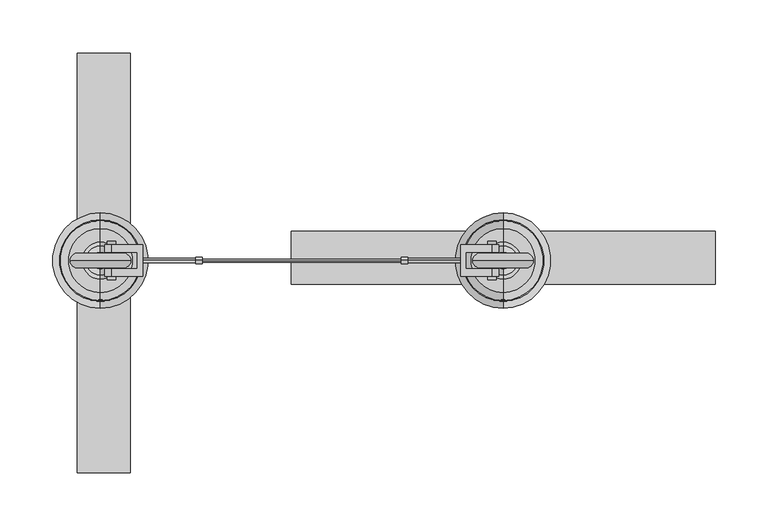
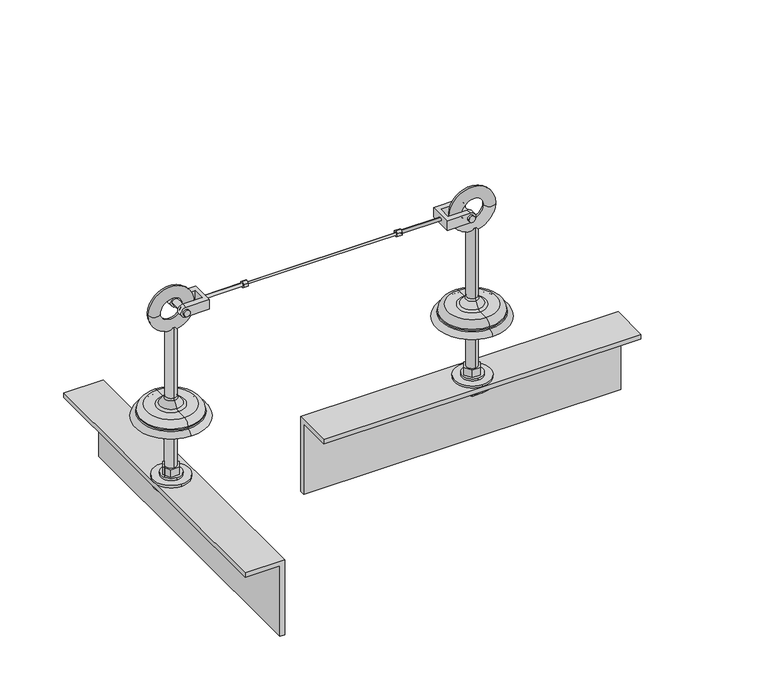
"""IFC4 building model written with IfcOpenShell, lengths in millimetres: proxy geometry."""

from ifc_helpers import new_model, si_unit, point, frame, frame_2d, origin, place, context, project, spatial, polyline, circle_curve, ellipse_curve, trimmed, segment, composite_curve, outline, extrude, source, transform, mapped, element, save
from ifc_brep_helpers import plane_surface, cylinder_surface, revolved_surface, advanced_brep


def specialty_equipment_02600450(model_context):
    return source(origin(), model_context, "Body", "SolidModel", [
        advanced_brep(
        [(3300.0, 45.0, 0.0), (3300.0, 7.0, 0.0), (3300.0, -7.0, 0.0), (3300.0, -45.0, 0.0), (3300.0, 7.0, -100.0), (3300.0, -7.0, -100.0), (3300.0, 0.0, -100.0), (3300.0, 0.0, 121.6303144), (3300.0, 6.9, 121.6303144), (3300.0, -6.9, 121.6303144), (3300.0, 6.9, 28.0512021), (3300.0, -6.9, 28.0512021), (3300.0, 7.995656, 24.9277269), (3300.0, 13.6366177, 17.8765248), (3300.0, -13.6366177, 17.8765248), (3300.0, -7.995656, 24.9277269), (3300.0, 17.5409617, 16.0), (3300.0, 30.1640518, 16.0), (3300.0, -30.1640518, 16.0), (3300.0, -17.5409617, 16.0), (3300.0, 37.6378375, 8.5262143), (3300.0, -37.6378375, 8.5262143), (3300.0, 37.6378375, 6.8656759), (3300.0, -37.6378375, 6.8656759), (3300.0, 38.448306, 5.8712826), (3300.0, -38.448306, 5.8712826)],
        [
            (0, 1),
            (1, 2, circle_curve(frame((3300.0, 0.0, 0.0), z_axis=(0.0, 0.0, 1.0), x_axis=(0.0, -1.0, 0.0)), 7.0)),
            (2, 3),
            (3, 0, circle_curve(frame((3300.0, 0.0, 0.0), z_axis=(0.0, 0.0, -1.0), x_axis=(0.0, -1.0, 0.0)), 45.0)),
            (2, 1, circle_curve(frame((3300.0, 0.0, 0.0), z_axis=(0.0, 0.0, 1.0), x_axis=(0.0, -1.0, 0.0)), 7.0)),
            (0, 3, circle_curve(frame((3300.0, 0.0, 0.0), z_axis=(0.0, 0.0, -1.0), x_axis=(0.0, -1.0, 0.0)), 45.0)),
            (1, 4),
            (4, 5, circle_curve(frame((3300.0, 0.0, -100.0), z_axis=(0.0, 0.0, 1.0), x_axis=(0.0, -1.0, 0.0)), 7.0)),
            (5, 2),
            (5, 4, circle_curve(frame((3300.0, 0.0, -100.0), z_axis=(0.0, 0.0, 1.0), x_axis=(0.0, -1.0, 0.0)), 7.0)),
            (4, 6),
            (6, 5),
            (7, 8),
            (8, 9, circle_curve(frame((3300.0, 0.0, 121.6303144), z_axis=(0.0, 0.0, 1.0), x_axis=(0.0, -1.0, 0.0)), 6.9)),
            (9, 7),
            (9, 8, circle_curve(frame((3300.0, 0.0, 121.6303144), z_axis=(0.0, 0.0, 1.0), x_axis=(0.0, -1.0, 0.0)), 6.9)),
            (8, 10),
            (10, 11, circle_curve(frame((3300.0, 0.0, 28.0512021), z_axis=(0.0, 0.0, 1.0), x_axis=(0.0, -1.0, 0.0)), 6.9)),
            (11, 9),
            (11, 10, circle_curve(frame((3300.0, 0.0, 28.0512021), z_axis=(0.0, 0.0, 1.0), x_axis=(0.0, -1.0, 0.0)), 6.9)),
            (12, 13),
            (13, 14, circle_curve(frame((3300.0, 0.0, 17.8765248), z_axis=(0.0, 0.0, 1.0), x_axis=(0.0, -1.0, 0.0)), 13.6366177)),
            (14, 15),
            (15, 12, circle_curve(frame((3300.0, 0.0, 24.9277269), z_axis=(0.0, 0.0, -1.0), x_axis=(0.0, -1.0, 0.0)), 7.995656)),
            (14, 13, circle_curve(frame((3300.0, 0.0, 17.8765248), z_axis=(0.0, 0.0, 1.0), x_axis=(0.0, -1.0, 0.0)), 13.6366177)),
            (12, 15, circle_curve(frame((3300.0, 0.0, 24.9277269), z_axis=(0.0, 0.0, -1.0), x_axis=(0.0, -1.0, 0.0)), 7.995656)),
            (16, 17),
            (17, 18, circle_curve(frame((3300.0, 0.0, 16.0), z_axis=(0.0, 0.0, 1.0), x_axis=(0.0, -1.0, 0.0)), 30.1640518)),
            (18, 19),
            (19, 16, circle_curve(frame((3300.0, 0.0, 16.0), z_axis=(0.0, 0.0, -1.0), x_axis=(0.0, -1.0, 0.0)), 17.5409617)),
            (18, 17, circle_curve(frame((3300.0, 0.0, 16.0), z_axis=(0.0, 0.0, 1.0), x_axis=(0.0, -1.0, 0.0)), 30.1640518)),
            (16, 19, circle_curve(frame((3300.0, 0.0, 16.0), z_axis=(0.0, 0.0, -1.0), x_axis=(0.0, -1.0, 0.0)), 17.5409617)),
            (17, 20, circle_curve(frame((3300.0, 30.1640518, 8.5262143), z_axis=(-1.0, 0.0, 0.0), x_axis=(0.0, -1.0, 0.0)), 7.4737857)),
            (20, 21, circle_curve(frame((3300.0, 0.0, 8.5262143), z_axis=(0.0, 0.0, 1.0), x_axis=(0.0, -1.0, 0.0)), 37.6378375)),
            (21, 18, circle_curve(frame((3300.0, -30.1640518, 8.5262143), z_axis=(-1.0, 0.0, 0.0), x_axis=(0.0, 1.0, 0.0)), 7.4737857)),
            (21, 20, circle_curve(frame((3300.0, 0.0, 8.5262143), z_axis=(0.0, 0.0, 1.0), x_axis=(0.0, -1.0, 0.0)), 37.6378375)),
            (20, 22),
            (22, 23, circle_curve(frame((3300.0, 0.0, 6.8656759), z_axis=(0.0, 0.0, 1.0), x_axis=(0.0, -1.0, 0.0)), 37.6378375)),
            (23, 21),
            (23, 22, circle_curve(frame((3300.0, 0.0, 6.8656759), z_axis=(0.0, 0.0, 1.0), x_axis=(0.0, -1.0, 0.0)), 37.6378375)),
            (10, 12, circle_curve(frame((3300.0, 11.9, 28.0512021), z_axis=(1.0, 0.0, 0.0), x_axis=(0.0, -1.0, 0.0)), 5.0)),
            (15, 11, circle_curve(frame((3300.0, -11.9, 28.0512021), z_axis=(1.0, 0.0, 0.0), x_axis=(0.0, 1.0, 0.0)), 5.0)),
            (13, 16, circle_curve(frame((3300.0, 17.5409617, 21.0), z_axis=(1.0, 0.0, 0.0), x_axis=(0.0, -1.0, 0.0)), 5.0)),
            (19, 14, circle_curve(frame((3300.0, -17.5409617, 21.0), z_axis=(1.0, 0.0, 0.0), x_axis=(0.0, 1.0, 0.0)), 5.0)),
            (22, 24, circle_curve(frame((3300.0, 38.6531003, 6.8656759), z_axis=(1.0, 0.0, 0.0), x_axis=(0.0, -1.0, 0.0)), 1.0152629)),
            (24, 25, circle_curve(frame((3300.0, 0.0, 5.8712826), z_axis=(0.0, 0.0, 1.0), x_axis=(0.0, -1.0, 0.0)), 38.448306)),
            (25, 23, circle_curve(frame((3300.0, -38.6531003, 6.8656759), z_axis=(1.0, 0.0, 0.0), x_axis=(0.0, 1.0, 0.0)), 1.0152629)),
            (25, 24, circle_curve(frame((3300.0, 0.0, 5.8712826), z_axis=(0.0, 0.0, 1.0), x_axis=(0.0, -1.0, 0.0)), 38.448306)),
            (24, 0, circle_curve(frame((3300.0, 36.6858246, -2.686569), z_axis=(-1.0, 0.0, 0.0), x_axis=(0.0, -1.0, 0.0)), 8.7374576)),
            (3, 25, circle_curve(frame((3300.0, -36.6858246, -2.686569), z_axis=(-1.0, 0.0, 0.0), x_axis=(0.0, 1.0, 0.0)), 8.7374576)),
        ],
        [
            plane_surface(frame((3300.0, 0.0, 0.0), z_axis=(0.0, 0.0, -1.0), x_axis=(0.0, -1.0, 0.0))),
            cylinder_surface(frame((3300.0, 0.0, 93.0), z_axis=(0.0, 0.0, 1.0), x_axis=(0.0, -1.0, 0.0)), 7.0),
            plane_surface(frame((3300.0, 0.0, -100.0), z_axis=(0.0, 0.0, -1.0), x_axis=(0.0, -1.0, 0.0))),
            plane_surface(frame((3300.0, 0.0, 121.6303144), z_axis=(0.0, 0.0, 1.0), x_axis=(0.0, -1.0, 0.0))),
            cylinder_surface(frame((3300.0, 0.0, 93.0), z_axis=(0.0, 0.0, 1.0), x_axis=(0.0, -1.0, 0.0)), 6.9),
            revolved_surface(polyline([(3300.0, -13.6366177, 17.8765248), (3300.0, -7.995656, 24.9277269)]), (3300.0, 0.0, 93.0), (0.0, 0.0, 1.0)),
            plane_surface(frame((3300.0, 0.0, 16.0), z_axis=(0.0, 0.0, 1.0), x_axis=(0.0, -1.0, 0.0))),
            revolved_surface(trimmed(ellipse_curve(frame((3300.0, -30.1640518, 8.5262143), z_axis=(-1.0, 0.0, 0.0), x_axis=(0.0, 1.0, 0.0)), 7.4737857, 7.4737857), [point((3300.0, -37.6378375, 8.5262143))], [point((3300.0, -30.1640518, 16.0))], True, "CARTESIAN"), (3300.0, 0.0, 93.0), (0.0, 0.0, 1.0)),
            cylinder_surface(frame((3300.0, 0.0, 93.0), z_axis=(0.0, 0.0, 1.0), x_axis=(0.0, -1.0, 0.0)), 37.6378375),
            revolved_surface(trimmed(ellipse_curve(frame((3300.0, -11.9, 28.0512021), z_axis=(1.0, 0.0, 0.0), x_axis=(0.0, 1.0, 0.0)), 5.0, 5.0), [point((3300.0, -7.995656, 24.9277269))], [point((3300.0, -6.9, 28.0512021))], True, "CARTESIAN"), (3300.0, 0.0, 93.0), (0.0, 0.0, 1.0)),
            revolved_surface(trimmed(ellipse_curve(frame((3300.0, -17.5409617, 21.0), z_axis=(1.0, 0.0, 0.0), x_axis=(0.0, 1.0, 0.0)), 5.0, 5.0), [point((3300.0, -17.5409617, 16.0))], [point((3300.0, -13.6366177, 17.8765248))], True, "CARTESIAN"), (3300.0, 0.0, 93.0), (0.0, 0.0, 1.0)),
            revolved_surface(trimmed(ellipse_curve(frame((3300.0, -38.6531003, 6.8656759), z_axis=(1.0, 0.0, 0.0), x_axis=(0.0, 1.0, 0.0)), 1.0152629, 1.0152629), [point((3300.0, -38.448306, 5.8712826))], [point((3300.0, -37.6378375, 6.8656759))], True, "CARTESIAN"), (3300.0, 0.0, 93.0), (0.0, 0.0, 1.0)),
            revolved_surface(trimmed(ellipse_curve(frame((3300.0, -36.6858246, -2.686569), z_axis=(-1.0, 0.0, 0.0), x_axis=(0.0, 1.0, 0.0)), 8.7374576, 8.7374576), [point((3300.0, -45.0, 0.0))], [point((3300.0, -38.448306, 5.8712826))], True, "CARTESIAN"), (3300.0, 0.0, 93.0), (0.0, 0.0, 1.0)),
        ],
        [
            (0, [[1, 2, 3, 4]]),
            (0, [[-3, 5, -1, 6]]),
            (1, [[7, 8, 9, -2]]),
            (1, [[-9, 10, -7, -5]]),
            (2, [[11, 12, -8]]),
            (2, [[-12, -11, -10]]),
            (3, [[13, 14, 15]]),
            (3, [[-15, 16, -13]]),
            (4, [[17, 18, 19, -14]]),
            (4, [[-19, 20, -17, -16]]),
            (5, [[21, 22, 23, 24]]),
            (5, [[-23, 25, -21, 26]]),
            (6, [[27, 28, 29, 30]]),
            (6, [[-29, 31, -27, 32]]),
            (7, [[33, 34, 35, -28]]),
            (7, [[-35, 36, -33, -31]]),
            (8, [[37, 38, 39, -34]]),
            (8, [[-39, 40, -37, -36]]),
            (9, [[41, -24, 42, -18]]),
            (9, [[-42, -26, -41, -20]]),
            (10, [[43, -30, 44, -22]]),
            (10, [[-44, -32, -43, -25]]),
            (11, [[45, 46, 47, -38]]),
            (11, [[-47, 48, -45, -40]]),
            (12, [[49, -4, 50, -46]]),
            (12, [[-50, -6, -49, -48]]),
        ],
    ),
        advanced_brep(
        [(2920.0243251, 7.0, 0.0), (2920.0243251, 45.0, 0.0), (2920.0243251, -45.0, 0.0), (2920.0243251, -7.0, 0.0), (2920.0243251, 7.0, -100.0), (2920.0243251, -7.0, -100.0), (2920.0243251, 0.0, -100.0), (2920.0243251, 6.9, 121.6303144), (2920.0243251, 0.0, 121.6303144), (2920.0243251, -6.9, 121.6303144), (2920.0243251, 6.9, 28.0512021), (2920.0243251, -6.9, 28.0512021), (2920.0243251, 13.6366177, 17.8765248), (2920.0243251, 7.995656, 24.9277269), (2920.0243251, -7.995656, 24.9277269), (2920.0243251, -13.6366177, 17.8765248), (2920.0243251, 30.1640518, 16.0), (2920.0243251, 17.5409617, 16.0), (2920.0243251, -17.5409617, 16.0), (2920.0243251, -30.1640518, 16.0), (2920.0243251, 37.6378375, 8.5262143), (2920.0243251, -37.6378375, 8.5262143), (2920.0243251, 37.6378375, 6.8656759), (2920.0243251, -37.6378375, 6.8656759), (2920.0243251, 38.448306, 5.8712826), (2920.0243251, -38.448306, 5.8712826)],
        [
            (0, 1),
            (1, 2, circle_curve(frame((2920.0243251, 0.0, 0.0), z_axis=(0.0, 0.0, -1.0), x_axis=(0.0, -1.0, 0.0)), 45.0)),
            (2, 3),
            (3, 0, circle_curve(frame((2920.0243251, 0.0, 0.0), z_axis=(0.0, 0.0, 1.0), x_axis=(0.0, -1.0, 0.0)), 7.0)),
            (2, 1, circle_curve(frame((2920.0243251, 0.0, 0.0), z_axis=(0.0, 0.0, -1.0), x_axis=(0.0, -1.0, 0.0)), 45.0)),
            (0, 3, circle_curve(frame((2920.0243251, 0.0, 0.0), z_axis=(0.0, 0.0, 1.0), x_axis=(0.0, -1.0, 0.0)), 7.0)),
            (4, 0),
            (3, 5),
            (5, 4, circle_curve(frame((2920.0243251, 0.0, -100.0), z_axis=(0.0, 0.0, 1.0), x_axis=(0.0, -1.0, 0.0)), 7.0)),
            (4, 5, circle_curve(frame((2920.0243251, 0.0, -100.0), z_axis=(0.0, 0.0, 1.0), x_axis=(0.0, -1.0, 0.0)), 7.0)),
            (6, 4),
            (5, 6),
            (7, 8),
            (8, 9),
            (9, 7, circle_curve(frame((2920.0243251, 0.0, 121.6303144), z_axis=(0.0, 0.0, 1.0), x_axis=(0.0, -1.0, 0.0)), 6.9)),
            (7, 9, circle_curve(frame((2920.0243251, 0.0, 121.6303144), z_axis=(0.0, 0.0, 1.0), x_axis=(0.0, -1.0, 0.0)), 6.9)),
            (10, 7),
            (9, 11),
            (11, 10, circle_curve(frame((2920.0243251, 0.0, 28.0512021), z_axis=(0.0, 0.0, 1.0), x_axis=(0.0, -1.0, 0.0)), 6.9)),
            (10, 11, circle_curve(frame((2920.0243251, 0.0, 28.0512021), z_axis=(0.0, 0.0, 1.0), x_axis=(0.0, -1.0, 0.0)), 6.9)),
            (12, 13),
            (13, 14, circle_curve(frame((2920.0243251, 0.0, 24.9277269), z_axis=(0.0, 0.0, -1.0), x_axis=(0.0, -1.0, 0.0)), 7.995656)),
            (14, 15),
            (15, 12, circle_curve(frame((2920.0243251, 0.0, 17.8765248), z_axis=(0.0, 0.0, 1.0), x_axis=(0.0, -1.0, 0.0)), 13.6366177)),
            (14, 13, circle_curve(frame((2920.0243251, 0.0, 24.9277269), z_axis=(0.0, 0.0, -1.0), x_axis=(0.0, -1.0, 0.0)), 7.995656)),
            (12, 15, circle_curve(frame((2920.0243251, 0.0, 17.8765248), z_axis=(0.0, 0.0, 1.0), x_axis=(0.0, -1.0, 0.0)), 13.6366177)),
            (16, 17),
            (17, 18, circle_curve(frame((2920.0243251, 0.0, 16.0), z_axis=(0.0, 0.0, -1.0), x_axis=(0.0, -1.0, 0.0)), 17.5409617)),
            (18, 19),
            (19, 16, circle_curve(frame((2920.0243251, 0.0, 16.0), z_axis=(0.0, 0.0, 1.0), x_axis=(0.0, -1.0, 0.0)), 30.1640518)),
            (18, 17, circle_curve(frame((2920.0243251, 0.0, 16.0), z_axis=(0.0, 0.0, -1.0), x_axis=(0.0, -1.0, 0.0)), 17.5409617)),
            (16, 19, circle_curve(frame((2920.0243251, 0.0, 16.0), z_axis=(0.0, 0.0, 1.0), x_axis=(0.0, -1.0, 0.0)), 30.1640518)),
            (20, 16, circle_curve(frame((2920.0243251, 30.1640518, 8.5262143), z_axis=(1.0, 0.0, 0.0), x_axis=(0.0, -1.0, 0.0)), 7.4737857)),
            (19, 21, circle_curve(frame((2920.0243251, -30.1640518, 8.5262143), z_axis=(1.0, 0.0, 0.0), x_axis=(0.0, 1.0, 0.0)), 7.4737857)),
            (21, 20, circle_curve(frame((2920.0243251, 0.0, 8.5262143), z_axis=(0.0, 0.0, 1.0), x_axis=(0.0, -1.0, 0.0)), 37.6378375)),
            (20, 21, circle_curve(frame((2920.0243251, 0.0, 8.5262143), z_axis=(0.0, 0.0, 1.0), x_axis=(0.0, -1.0, 0.0)), 37.6378375)),
            (22, 20),
            (21, 23),
            (23, 22, circle_curve(frame((2920.0243251, 0.0, 6.8656759), z_axis=(0.0, 0.0, 1.0), x_axis=(0.0, -1.0, 0.0)), 37.6378375)),
            (22, 23, circle_curve(frame((2920.0243251, 0.0, 6.8656759), z_axis=(0.0, 0.0, 1.0), x_axis=(0.0, -1.0, 0.0)), 37.6378375)),
            (13, 10, circle_curve(frame((2920.0243251, 11.9, 28.0512021), z_axis=(-1.0, 0.0, 0.0), x_axis=(0.0, -1.0, 0.0)), 5.0)),
            (11, 14, circle_curve(frame((2920.0243251, -11.9, 28.0512021), z_axis=(-1.0, 0.0, 0.0), x_axis=(0.0, 1.0, 0.0)), 5.0)),
            (17, 12, circle_curve(frame((2920.0243251, 17.5409617, 21.0), z_axis=(-1.0, 0.0, 0.0), x_axis=(0.0, -1.0, 0.0)), 5.0)),
            (15, 18, circle_curve(frame((2920.0243251, -17.5409617, 21.0), z_axis=(-1.0, 0.0, 0.0), x_axis=(0.0, 1.0, 0.0)), 5.0)),
            (24, 22, circle_curve(frame((2920.0243251, 38.6531003, 6.8656759), z_axis=(-1.0, 0.0, 0.0), x_axis=(0.0, -1.0, 0.0)), 1.0152629)),
            (23, 25, circle_curve(frame((2920.0243251, -38.6531003, 6.8656759), z_axis=(-1.0, 0.0, 0.0), x_axis=(0.0, 1.0, 0.0)), 1.0152629)),
            (25, 24, circle_curve(frame((2920.0243251, 0.0, 5.8712826), z_axis=(0.0, 0.0, 1.0), x_axis=(0.0, -1.0, 0.0)), 38.448306)),
            (24, 25, circle_curve(frame((2920.0243251, 0.0, 5.8712826), z_axis=(0.0, 0.0, 1.0), x_axis=(0.0, -1.0, 0.0)), 38.448306)),
            (1, 24, circle_curve(frame((2920.0243251, 36.6858246, -2.686569), z_axis=(1.0, 0.0, 0.0), x_axis=(0.0, -1.0, 0.0)), 8.7374576)),
            (25, 2, circle_curve(frame((2920.0243251, -36.6858246, -2.686569), z_axis=(1.0, 0.0, 0.0), x_axis=(0.0, 1.0, 0.0)), 8.7374576)),
        ],
        [
            plane_surface(frame((2920.0243251, 0.0, 0.0), z_axis=(0.0, 0.0, -1.0), x_axis=(0.0, -1.0, 0.0))),
            cylinder_surface(frame((2920.0243251, 0.0, 93.0), z_axis=(0.0, 0.0, -1.0), x_axis=(0.0, -1.0, 0.0)), 7.0),
            plane_surface(frame((2920.0243251, 0.0, -100.0), z_axis=(0.0, 0.0, -1.0), x_axis=(0.0, -1.0, 0.0))),
            plane_surface(frame((2920.0243251, 0.0, 121.6303144), z_axis=(0.0, 0.0, 1.0), x_axis=(0.0, -1.0, 0.0))),
            cylinder_surface(frame((2920.0243251, 0.0, 93.0), z_axis=(0.0, 0.0, -1.0), x_axis=(0.0, -1.0, 0.0)), 6.9),
            revolved_surface(polyline([(2920.0243251, -7.995656, 24.9277269), (2920.0243251, -13.6366177, 17.8765248)]), (2920.0243251, 0.0, 93.0), (0.0, 0.0, -1.0)),
            plane_surface(frame((2920.0243251, 0.0, 16.0), z_axis=(0.0, 0.0, 1.0), x_axis=(0.0, -1.0, 0.0))),
            revolved_surface(trimmed(ellipse_curve(frame((2920.0243251, -30.1640518, 8.5262143), z_axis=(1.0, 0.0, 0.0), x_axis=(0.0, 1.0, 0.0)), 7.4737857, 7.4737857), [point((2920.0243251, -30.1640518, 16.0))], [point((2920.0243251, -37.6378375, 8.5262143))], True, "CARTESIAN"), (2920.0243251, 0.0, 93.0), (0.0, 0.0, -1.0)),
            cylinder_surface(frame((2920.0243251, 0.0, 93.0), z_axis=(0.0, 0.0, -1.0), x_axis=(0.0, -1.0, 0.0)), 37.6378375),
            revolved_surface(trimmed(ellipse_curve(frame((2920.0243251, -11.9, 28.0512021), z_axis=(-1.0, 0.0, 0.0), x_axis=(0.0, 1.0, 0.0)), 5.0, 5.0), [point((2920.0243251, -6.9, 28.0512021))], [point((2920.0243251, -7.995656, 24.9277269))], True, "CARTESIAN"), (2920.0243251, 0.0, 93.0), (0.0, 0.0, -1.0)),
            revolved_surface(trimmed(ellipse_curve(frame((2920.0243251, -17.5409617, 21.0), z_axis=(-1.0, 0.0, 0.0), x_axis=(0.0, 1.0, 0.0)), 5.0, 5.0), [point((2920.0243251, -13.6366177, 17.8765248))], [point((2920.0243251, -17.5409617, 16.0))], True, "CARTESIAN"), (2920.0243251, 0.0, 93.0), (0.0, 0.0, -1.0)),
            revolved_surface(trimmed(ellipse_curve(frame((2920.0243251, -38.6531003, 6.8656759), z_axis=(-1.0, 0.0, 0.0), x_axis=(0.0, 1.0, 0.0)), 1.0152629, 1.0152629), [point((2920.0243251, -37.6378375, 6.8656759))], [point((2920.0243251, -38.448306, 5.8712826))], True, "CARTESIAN"), (2920.0243251, 0.0, 93.0), (0.0, 0.0, -1.0)),
            revolved_surface(trimmed(ellipse_curve(frame((2920.0243251, -36.6858246, -2.686569), z_axis=(1.0, 0.0, 0.0), x_axis=(0.0, 1.0, 0.0)), 8.7374576, 8.7374576), [point((2920.0243251, -38.448306, 5.8712826))], [point((2920.0243251, -45.0, 0.0))], True, "CARTESIAN"), (2920.0243251, 0.0, 93.0), (0.0, 0.0, -1.0)),
        ],
        [
            (0, [[1, 2, 3, 4]]),
            (0, [[-3, 5, -1, 6]]),
            (1, [[7, -4, 8, 9]]),
            (1, [[-8, -6, -7, 10]]),
            (2, [[11, -9, 12]]),
            (2, [[-12, -10, -11]]),
            (3, [[13, 14, 15]]),
            (3, [[-14, -13, 16]]),
            (4, [[17, -15, 18, 19]]),
            (4, [[-18, -16, -17, 20]]),
            (5, [[21, 22, 23, 24]]),
            (5, [[-23, 25, -21, 26]]),
            (6, [[27, 28, 29, 30]]),
            (6, [[-29, 31, -27, 32]]),
            (7, [[33, -30, 34, 35]]),
            (7, [[-34, -32, -33, 36]]),
            (8, [[37, -35, 38, 39]]),
            (8, [[-38, -36, -37, 40]]),
            (9, [[41, -19, 42, -22]]),
            (9, [[-42, -20, -41, -25]]),
            (10, [[43, -24, 44, -28]]),
            (10, [[-44, -26, -43, -31]]),
            (11, [[45, -39, 46, 47]]),
            (11, [[-46, -40, -45, 48]]),
            (12, [[49, -47, 50, -2]]),
            (12, [[-50, -48, -49, -5]]),
        ],
    ),
        extrude(outline(polyline([(0.0378375, 147.2159586), (3.255952, 145.3579793), (3.255952, 141.6420207), (0.0378375, 139.7840414), (-3.1802771, 141.6420207), (-3.1802771, 145.3579793), (0.0378375, 147.2159586)])), frame((3204.0, 0.0, 0.0), z_axis=(1.0, 0.0, 0.0), x_axis=(0.0, 1.0, 0.0)), (0.0, 0.0, 1.0), 6.0),
        extrude(outline(polyline([(0.0378375, 147.2159586), (3.255952, 145.3579793), (3.255952, 141.6420207), (0.0378375, 139.7840414), (-3.1802771, 141.6420207), (-3.1802771, 145.3579793), (0.0378375, 147.2159586)])), frame((3010.0243251, 0.0, 0.0), z_axis=(1.0, 0.0, 0.0), x_axis=(0.0, 1.0, 0.0)), (0.0, 0.0, 1.0), 6.0),
        extrude(outline(composite_curve([segment(trimmed(circle_curve(frame_2d((0.0378375, 143.5)), 2.0), [point((0.0378375, 145.5))], [point((0.0378375, 141.5))], False, "CARTESIAN"), True, "CONTINUOUS"), segment(trimmed(circle_curve(frame_2d((0.0378375, 143.5)), 2.0), [point((0.0378375, 141.5))], [point((0.0378375, 145.5))], False, "CARTESIAN"), True, "CONTINUOUS")], self_intersect=False)), frame((2960.0243251, 0.0, 0.0), z_axis=(1.0, 0.0, 0.0), x_axis=(0.0, 1.0, 0.0)), (0.0, 0.0, 1.0), 50.0),
        advanced_brep(
        [(3204.0121625, 0.0, 144.9991883), (3204.0121625, 0.0, 143.5), (3204.0121625, 0.0, 142.0008117), (3016.0121625, 0.0, 144.4598668), (3016.0121625, 0.0, 142.5401332), (3016.0121625, 0.0, 143.5)],
        [
            (0, 1),
            (1, 2),
            (2, 0, circle_curve(frame((3204.0121625, 0.0, 143.5), z_axis=(1.0, 0.0, 0.0), x_axis=(0.0, 0.0, -1.0)), 1.4991883)),
            (0, 2, circle_curve(frame((3204.0121625, 0.0, 143.5), z_axis=(1.0, 0.0, 0.0), x_axis=(0.0, 0.0, -1.0)), 1.4991883)),
            (3, 0, circle_curve(frame((3114.6843147, 0.0, -1483.9180993), z_axis=(0.0, 1.0, 0.0), x_axis=(-1.0, 0.0, 0.0)), 1631.3647643)),
            (2, 4, circle_curve(frame((3114.6843147, 0.0, 1770.9180993), z_axis=(0.0, 1.0, 0.0), x_axis=(-1.0, 0.0, 0.0)), 1631.3647643)),
            (4, 3, circle_curve(frame((3016.0121625, 0.0, 143.5), z_axis=(1.0, 0.0, 0.0), x_axis=(0.0, 0.0, -1.0)), 0.9598668)),
            (3, 4, circle_curve(frame((3016.0121625, 0.0, 143.5), z_axis=(1.0, 0.0, 0.0), x_axis=(0.0, 0.0, -1.0)), 0.9598668)),
            (5, 3),
            (4, 5),
        ],
        [
            plane_surface(frame((3204.0121625, 0.0, 143.5), z_axis=(1.0, 0.0, 0.0), x_axis=(0.0, 0.0, -1.0))),
            revolved_surface(trimmed(ellipse_curve(frame((3114.6843147, 0.0, 1770.9180993), z_axis=(0.0, 1.0, 0.0), x_axis=(-1.0, 0.0, 0.0)), 1631.3647643, 1631.3647643), [point((3204.0121625, 0.0, 142.0008117))], [point((3016.0121625, 0.0, 142.5401332))], True, "CARTESIAN"), (3140.0121625, 0.0, 143.5), (-1.0, 0.0, 0.0)),
            plane_surface(frame((3016.0121625, 0.0, 143.5), z_axis=(-1.0, 0.0, 0.0), x_axis=(0.0, 0.0, -1.0))),
        ],
        [
            (0, [[1, 2, 3]]),
            (0, [[-2, -1, 4]]),
            (1, [[5, -3, 6, 7]]),
            (1, [[-6, -4, -5, 8]]),
            (2, [[9, -7, 10]]),
            (2, [[-10, -8, -9]]),
        ],
    ),
        extrude(outline(composite_curve([segment(trimmed(circle_curve(frame_2d((0.0378375, 143.5)), 2.0), [point((0.0378375, 145.5))], [point((0.0378375, 141.5))], False, "CARTESIAN"), True, "CONTINUOUS"), segment(trimmed(circle_curve(frame_2d((0.0378375, 143.5)), 2.0), [point((0.0378375, 141.5))], [point((0.0378375, 145.5))], False, "CARTESIAN"), True, "CONTINUOUS")], self_intersect=False)), frame((3210.0, 0.0, 0.0), z_axis=(1.0, 0.0, 0.0), x_axis=(0.0, 1.0, 0.0)), (0.0, 0.0, 1.0), 50.0),
        extrude(outline(composite_curve([segment(trimmed(circle_curve(frame_2d((143.5, 2930.3432172)), 4.0), [point((143.5, 2926.3432172))], [point((143.5, 2934.3432172))], False, "CARTESIAN"), True, "CONTINUOUS"), segment(trimmed(circle_curve(frame_2d((143.5, 2930.3432172)), 4.0), [point((143.5, 2934.3432172))], [point((143.5, 2926.3432172))], False, "CARTESIAN"), True, "CONTINUOUS")], self_intersect=False)), frame((0.0, -7.7810663, 0.0), z_axis=(0.0, 1.0, 0.0), x_axis=(0.0, 0.0, 1.0)), (0.0, 0.0, 1.0), 15.6923596),
        advanced_brep(
        [(2960.0243251, -15.0, 137.1597348), (2960.0243251, -15.0, 149.8402652), (2930.3675423, -15.0, 149.8402652), (2930.3675423, -15.0, 137.1597348), (2960.0243251, 15.0, 137.1597348), (2930.3675423, 15.0, 137.1597348), (2930.3675423, 15.0, 149.8402652), (2960.0243251, 15.0, 149.8402652), (2930.3675423, 7.9112933, 137.1597348), (2930.3675423, 7.9112933, 149.8402652), (2930.3675423, -7.7810663, 149.8402652), (2930.3675423, -7.7810663, 137.1597348), (2955.0243251, 7.9112933, 149.8402652), (2955.0243251, -7.7810663, 149.8402652), (2955.0243251, -7.7810663, 137.1597348), (2955.0243251, 7.9112933, 137.1597348)],
        [
            (0, 1),
            (1, 2),
            (2, 3, circle_curve(frame((2930.3675423, -15.0, 143.5), z_axis=(0.0, -1.0, 0.0), x_axis=(1.0, 0.0, 0.0)), 6.3402652)),
            (3, 0),
            (4, 5),
            (5, 6, circle_curve(frame((2930.3675423, 15.0, 143.5), z_axis=(0.0, 1.0, 0.0), x_axis=(1.0, 0.0, 0.0)), 6.3402652)),
            (6, 7),
            (7, 4),
            (0, 4),
            (7, 1),
            (5, 8),
            (8, 9, circle_curve(frame((2930.3675423, 7.9112933, 143.5), z_axis=(0.0, 1.0, 0.0), x_axis=(1.0, 0.0, 0.0)), 6.3402652)),
            (9, 6),
            (2, 10),
            (10, 11, circle_curve(frame((2930.3675423, -7.7810663, 143.5), z_axis=(0.0, -1.0, 0.0), x_axis=(1.0, 0.0, 0.0)), 6.3402652)),
            (11, 3),
            (9, 12),
            (12, 13),
            (13, 10),
            (11, 14),
            (14, 15),
            (15, 8),
            (14, 13),
            (12, 15),
        ],
        [
            plane_surface(frame((2930.3675423, -15.0, 137.1597348), z_axis=(0.0, -1.0, 0.0), x_axis=(-1.0, 0.0, 0.0))),
            plane_surface(frame((2930.3675423, 15.0, 137.1597348), z_axis=(0.0, 1.0, 0.0), x_axis=(1.0, 0.0, 0.0))),
            plane_surface(frame((2960.0243251, -15.0, 149.8402652), z_axis=(1.0, 0.0, 0.0), x_axis=(0.0, 1.0, 0.0))),
            cylinder_surface(frame((2930.3675423, 15.0, 143.5), z_axis=(0.0, -1.0, 0.0), x_axis=(1.0, 0.0, 0.0)), 6.3402652),
            plane_surface(frame((2930.3675423, -15.0, 149.8402652), z_axis=(0.0, 0.0, 1.0), x_axis=(0.0, 1.0, 0.0))),
            plane_surface(frame((2960.0243251, -15.0, 137.1597348), z_axis=(0.0, 0.0, -1.0), x_axis=(0.0, 1.0, 0.0))),
            plane_surface(frame((2955.0243251, -7.7810663, 137.1597348), z_axis=(-1.0, 0.0, 0.0), x_axis=(0.0, 0.0, 1.0))),
            plane_surface(frame((2920.0243251, -7.7810663, 137.1597348), z_axis=(0.0, 1.0, 0.0), x_axis=(0.0, 0.0, 1.0))),
            plane_surface(frame((2955.0243251, 7.9112933, 137.1597348), z_axis=(0.0, -1.0, 0.0), x_axis=(0.0, 0.0, 1.0))),
        ],
        [
            (0, [[1, 2, 3, 4]]),
            (1, [[5, 6, 7, 8]]),
            (2, [[9, -8, 10, -1]]),
            (3, [[11, 12, 13, -6]]),
            (3, [[14, 15, 16, -3]]),
            (4, [[-10, -7, -13, 17, 18, 19, -14, -2]]),
            (5, [[-16, 20, 21, 22, -11, -5, -9, -4]]),
            (6, [[-21, 23, -18, 24]]),
            (7, [[-20, -15, -19, -23]]),
            (8, [[-17, -12, -22, -24]]),
        ],
    ),
        extrude(outline(composite_curve([segment(trimmed(circle_curve(frame_2d((143.5, 3289.6567828)), 4.0), [point((143.5, 3293.6567828))], [point((143.5, 3285.6567828))], False, "CARTESIAN"), True, "CONTINUOUS"), segment(trimmed(circle_curve(frame_2d((143.5, 3289.6567828)), 4.0), [point((143.5, 3285.6567828))], [point((143.5, 3293.6567828))], False, "CARTESIAN"), True, "CONTINUOUS")], self_intersect=False)), frame((0.0, -7.7810663, 0.0), z_axis=(0.0, 1.0, 0.0), x_axis=(0.0, 0.0, 1.0)), (0.0, 0.0, 1.0), 15.6923596),
        advanced_brep(
        [(3314.5545757, 0.0, 143.5), (3328.5545757, 0.0, 143.5), (3271.4454243, 0.0, 143.5), (3285.4454243, 0.0, 143.5)],
        [
            (0, 1, circle_curve(frame((3321.5545757, 0.0, 143.5), z_axis=(0.0, 0.0, 1.0), x_axis=(-1.0, 0.0, 0.0)), 7.0)),
            (1, 2, circle_curve(frame((3300.0, 0.0, 143.5), z_axis=(0.0, -1.0, 0.0), x_axis=(-1.0, 0.0, 0.0)), 28.5545757)),
            (2, 3, circle_curve(frame((3278.4454243, 0.0, 143.5), z_axis=(0.0, 0.0, 1.0), x_axis=(1.0, 0.0, 0.0)), 7.0)),
            (3, 0, circle_curve(frame((3300.0, 0.0, 143.5), z_axis=(0.0, 1.0, 0.0), x_axis=(-1.0, 0.0, 0.0)), 14.5545757)),
            (1, 0, circle_curve(frame((3321.5545757, 0.0, 143.5), z_axis=(0.0, 0.0, 1.0), x_axis=(-1.0, 0.0, 0.0)), 7.0)),
            (3, 2, circle_curve(frame((3278.4454243, 0.0, 143.5), z_axis=(0.0, 0.0, 1.0), x_axis=(1.0, 0.0, 0.0)), 7.0)),
            (2, 1, circle_curve(frame((3300.0, 0.0, 143.5), z_axis=(0.0, -1.0, 0.0), x_axis=(1.0, 0.0, 0.0)), 28.5545757)),
            (0, 3, circle_curve(frame((3300.0, 0.0, 143.5), z_axis=(0.0, 1.0, 0.0), x_axis=(1.0, 0.0, 0.0)), 14.5545757)),
        ],
        [
            revolved_surface(trimmed(ellipse_curve(frame((3278.4454243, 0.0, 143.5), z_axis=(0.0, 0.0, 1.0), x_axis=(1.0, 0.0, 0.0)), 7.0, 7.0), [point((3271.4454243, 0.0, 143.5))], [point((3285.4454243, 0.0, 143.5))], True, "CARTESIAN"), (3300.0, 0.0, 143.5), (0.0, -1.0, 0.0)),
            revolved_surface(trimmed(ellipse_curve(frame((3278.4454243, 0.0, 143.5), z_axis=(0.0, 0.0, 1.0), x_axis=(1.0, 0.0, 0.0)), 7.0, 7.0), [point((3285.4454243, 0.0, 143.5))], [point((3271.4454243, 0.0, 143.5))], True, "CARTESIAN"), (3300.0, 0.0, 143.5), (0.0, -1.0, 0.0)),
            revolved_surface(trimmed(ellipse_curve(frame((3321.5545757, 0.0, 143.5), z_axis=(0.0, 0.0, -1.0), x_axis=(-1.0, 0.0, 0.0)), 7.0, 7.0), [point((3328.5545757, 0.0, 143.5))], [point((3314.5545757, 0.0, 143.5))], True, "CARTESIAN"), (3300.0, 0.0, 143.5), (0.0, -1.0, 0.0)),
            revolved_surface(trimmed(ellipse_curve(frame((3321.5545757, 0.0, 143.5), z_axis=(0.0, 0.0, -1.0), x_axis=(-1.0, 0.0, 0.0)), 7.0, 7.0), [point((3314.5545757, 0.0, 143.5))], [point((3328.5545757, 0.0, 143.5))], True, "CARTESIAN"), (3300.0, 0.0, 143.5), (0.0, -1.0, 0.0)),
        ],
        [
            (0, [[1, 2, 3, 4]]),
            (1, [[5, -4, 6, -2]]),
            (2, [[-3, 7, -1, 8]]),
            (3, [[-6, -8, -5, -7]]),
        ],
    ),
        extrude(outline(composite_curve([segment(trimmed(circle_curve(frame_2d((143.5, 2930.3675423)), 4.0), [point((143.5, 2934.3675423))], [point((143.5, 2926.3675423))], False, "CARTESIAN"), True, "CONTINUOUS"), segment(trimmed(circle_curve(frame_2d((143.5, 2930.3675423)), 4.0), [point((143.5, 2926.3675423))], [point((143.5, 2934.3675423))], False, "CARTESIAN"), True, "CONTINUOUS")], self_intersect=False)), frame((0.0, 15.0, 0.0), z_axis=(0.0, 1.0, 0.0), x_axis=(0.0, 0.0, 1.0)), (0.0, 0.0, 1.0), 3.0),
        extrude(outline(composite_curve([segment(trimmed(circle_curve(frame_2d((143.5, 2930.3675423)), 4.0), [point((143.5, 2926.3675423))], [point((143.5, 2934.3675423))], False, "CARTESIAN"), True, "CONTINUOUS"), segment(trimmed(circle_curve(frame_2d((143.5, 2930.3675423)), 4.0), [point((143.5, 2934.3675423))], [point((143.5, 2926.3675423))], False, "CARTESIAN"), True, "CONTINUOUS")], self_intersect=False)), frame((0.0, -18.0, 0.0), z_axis=(0.0, 1.0, 0.0), x_axis=(0.0, 0.0, 1.0)), (0.0, 0.0, 1.0), 3.0),
        extrude(outline(composite_curve([segment(trimmed(circle_curve(frame_2d((143.5, 3289.6567828)), 4.0), [point((143.5, 3285.6567828))], [point((143.5, 3293.6567828))], False, "CARTESIAN"), True, "CONTINUOUS"), segment(trimmed(circle_curve(frame_2d((143.5, 3289.6567828)), 4.0), [point((143.5, 3293.6567828))], [point((143.5, 3285.6567828))], False, "CARTESIAN"), True, "CONTINUOUS")], self_intersect=False)), frame((0.0, 15.0, 0.0), z_axis=(0.0, 1.0, 0.0), x_axis=(0.0, 0.0, 1.0)), (0.0, 0.0, 1.0), 3.0),
        extrude(outline(composite_curve([segment(trimmed(circle_curve(frame_2d((143.5, 3289.6567828)), 4.0), [point((143.5, 3293.6567828))], [point((143.5, 3285.6567828))], False, "CARTESIAN"), True, "CONTINUOUS"), segment(trimmed(circle_curve(frame_2d((143.5, 3289.6567828)), 4.0), [point((143.5, 3285.6567828))], [point((143.5, 3293.6567828))], False, "CARTESIAN"), True, "CONTINUOUS")], self_intersect=False)), frame((0.0, -18.0, 0.0), z_axis=(0.0, 1.0, 0.0), x_axis=(0.0, 0.0, 1.0)), (0.0, 0.0, 1.0), 3.0),
        advanced_brep(
        [(3260.0, -15.0, 137.1597348), (3289.6567828, -15.0, 137.1597348), (3289.6567828, -15.0, 149.8402652), (3260.0, -15.0, 149.8402652), (3260.0, 15.0, 137.1597348), (3260.0, 15.0, 149.8402652), (3289.6567828, 15.0, 149.8402652), (3289.6567828, 15.0, 137.1597348), (3289.6567828, 7.9112933, 149.8402652), (3289.6567828, 7.9112933, 137.1597348), (3289.6567828, -7.7810663, 137.1597348), (3289.6567828, -7.7810663, 149.8402652), (3265.0, -7.7810663, 149.8402652), (3265.0, 7.9112933, 149.8402652), (3265.0, 7.9112933, 137.1597348), (3265.0, -7.7810663, 137.1597348)],
        [
            (0, 1),
            (1, 2, circle_curve(frame((3289.6567828, -15.0, 143.5), z_axis=(0.0, -1.0, 0.0), x_axis=(-1.0, 0.0, 0.0)), 6.3402652)),
            (2, 3),
            (3, 0),
            (4, 5),
            (5, 6),
            (6, 7, circle_curve(frame((3289.6567828, 15.0, 143.5), z_axis=(0.0, 1.0, 0.0), x_axis=(-1.0, 0.0, 0.0)), 6.3402652)),
            (7, 4),
            (3, 5),
            (4, 0),
            (6, 8),
            (8, 9, circle_curve(frame((3289.6567828, 7.9112933, 143.5), z_axis=(0.0, 1.0, 0.0), x_axis=(-1.0, 0.0, 0.0)), 6.3402652)),
            (9, 7),
            (1, 10),
            (10, 11, circle_curve(frame((3289.6567828, -7.7810663, 143.5), z_axis=(0.0, -1.0, 0.0), x_axis=(-1.0, 0.0, 0.0)), 6.3402652)),
            (11, 2),
            (11, 12),
            (12, 13),
            (13, 8),
            (9, 14),
            (14, 15),
            (15, 10),
            (14, 13),
            (12, 15),
        ],
        [
            plane_surface(frame((3260.0, -15.0, 149.8402652), z_axis=(0.0, -1.0, 0.0), x_axis=(0.0, 0.0, 1.0))),
            plane_surface(frame((3260.0, 15.0, 149.8402652), z_axis=(0.0, 1.0, 0.0), x_axis=(0.0, 0.0, -1.0))),
            plane_surface(frame((3260.0, -15.0, 137.1597348), z_axis=(-1.0, 0.0, 0.0), x_axis=(0.0, 1.0, 0.0))),
            cylinder_surface(frame((3289.6567828, 15.0, 143.5), z_axis=(0.0, -1.0, 0.0), x_axis=(-1.0, 0.0, 0.0)), 6.3402652),
            plane_surface(frame((3260.0, -15.0, 149.8402652), z_axis=(0.0, 0.0, 1.0), x_axis=(0.0, 1.0, 0.0))),
            plane_surface(frame((3289.6567828, -15.0, 137.1597348), z_axis=(0.0, 0.0, -1.0), x_axis=(0.0, 1.0, 0.0))),
            plane_surface(frame((3265.0, 7.9112933, 137.1597348), z_axis=(1.0, 0.0, 0.0), x_axis=(0.0, 0.0, 1.0))),
            plane_surface(frame((3265.0, -7.7810663, 137.1597348), z_axis=(0.0, 1.0, 0.0), x_axis=(0.0, 0.0, 1.0))),
            plane_surface(frame((3300.0, 7.9112933, 137.1597348), z_axis=(0.0, -1.0, 0.0), x_axis=(0.0, 0.0, 1.0))),
        ],
        [
            (0, [[1, 2, 3, 4]]),
            (1, [[5, 6, 7, 8]]),
            (2, [[9, -5, 10, -4]]),
            (3, [[11, 12, 13, -7]]),
            (3, [[14, 15, 16, -2]]),
            (4, [[-16, 17, 18, 19, -11, -6, -9, -3]]),
            (5, [[-10, -8, -13, 20, 21, 22, -14, -1]]),
            (6, [[-21, 23, -18, 24]]),
            (7, [[-17, -15, -22, -24]]),
            (8, [[-20, -12, -19, -23]]),
        ],
    ),
        extrude(outline(polyline([(27.5, -81.0), (27.5, -181.0), (21.5, -181.0), (21.5, -87.0), (-22.5, -87.0), (-22.5, -81.0), (27.5, -81.0)])), frame((3100.0243251, 0.0, 0.0), z_axis=(1.0, 0.0, 0.0), x_axis=(0.0, 1.0, 0.0)), (0.0, 0.0, 1.0), 400.0),
        extrude(outline(polyline([(3289.6320202, 0.1378375), (3294.8281726, 9.1378375), (3305.2204775, 9.1378375), (3310.4166299, 0.1378375), (3305.2204775, -8.8621625), (3294.8281726, -8.8621625), (3289.6320202, 0.1378375)]), holes=[composite_curve([segment(trimmed(circle_curve(frame_2d((3300.0243251, 0.1378375)), 7.0), [point((3300.0243251, 7.1378375))], [point((3300.0243251, -6.8621625))], True, "CARTESIAN"), True, "CONTINUOUS"), segment(trimmed(circle_curve(frame_2d((3300.0243251, 0.1378375)), 7.0), [point((3300.0243251, -6.8621625))], [point((3300.0243251, 7.1378375))], True, "CARTESIAN"), True, "CONTINUOUS")], self_intersect=False)]), frame((0.0, 0.0, -75.0), z_axis=(0.0, 0.0, 1.0), x_axis=(1.0, 0.0, 0.0)), (0.0, 0.0, 1.0), 10.0),
        extrude(outline(composite_curve([segment(trimmed(circle_curve(frame_2d((3300.5243251, 0.1378375)), 13.0), [point((3300.5243251, 13.1378375))], [point((3300.5243251, -12.8621625))], False, "CARTESIAN"), True, "CONTINUOUS"), segment(trimmed(circle_curve(frame_2d((3300.5243251, 0.1378375)), 13.0), [point((3300.5243251, -12.8621625))], [point((3300.5243251, 13.1378375))], False, "CARTESIAN"), True, "CONTINUOUS")], self_intersect=False)), frame((0.0, 0.0, -78.0), z_axis=(0.0, 0.0, 1.0), x_axis=(1.0, 0.0, 0.0)), (0.0, 0.0, 1.0), 3.0),
        extrude(outline(composite_curve([segment(trimmed(circle_curve(frame_2d((3300.5243251, 0.1378375)), 22.5), [point((3300.5243251, 22.6378375))], [point((3300.5243251, -22.3621625))], False, "CARTESIAN"), True, "CONTINUOUS"), segment(trimmed(circle_curve(frame_2d((3300.5243251, 0.1378375)), 22.5), [point((3300.5243251, -22.3621625))], [point((3300.5243251, 22.6378375))], False, "CARTESIAN"), True, "CONTINUOUS")], self_intersect=False)), frame((0.0, 0.0, -81.0), z_axis=(0.0, 0.0, 1.0), x_axis=(1.0, 0.0, 0.0)), (0.0, 0.0, 1.0), 3.0),
        extrude(outline(composite_curve([segment(trimmed(circle_curve(frame_2d((3300.5, 0.0)), 21.2), [point((3300.5, -21.2))], [point((3300.5, 21.2))], False, "CARTESIAN"), True, "CONTINUOUS"), segment(trimmed(circle_curve(frame_2d((3300.5, 0.0)), 21.2), [point((3300.5, 21.2))], [point((3300.5, -21.2))], False, "CARTESIAN"), True, "CONTINUOUS")], self_intersect=False)), frame((0.0, 0.0, -90.0), z_axis=(0.0, 0.0, 1.0), x_axis=(1.0, 0.0, 0.0)), (0.0, 0.0, 1.0), 3.0),
        extrude(outline(polyline([(3289.6076952, 0.0), (3294.8038476, 9.0), (3305.1961524, 9.0), (3310.3923048, 0.0), (3305.1961524, -9.0), (3294.8038476, -9.0), (3289.6076952, 0.0)]), holes=[composite_curve([segment(trimmed(circle_curve(frame_2d((3300.0, 0.0)), 7.0), [point((3300.0, -7.0))], [point((3300.0, 7.0))], True, "CARTESIAN"), True, "CONTINUOUS"), segment(trimmed(circle_curve(frame_2d((3300.0, 0.0)), 7.0), [point((3300.0, 7.0))], [point((3300.0, -7.0))], True, "CARTESIAN"), True, "CONTINUOUS")], self_intersect=False)]), frame((0.0, 0.0, -100.0), z_axis=(0.0, 0.0, 1.0), x_axis=(1.0, 0.0, 0.0)), (0.0, 0.0, 1.0), 10.0),
        extrude(outline(polyline([(2909.6320202, 0.1378375), (2914.8281726, 9.1378375), (2925.2204775, 9.1378375), (2930.4166299, 0.1378375), (2925.2204775, -8.8621625), (2914.8281726, -8.8621625), (2909.6320202, 0.1378375)]), holes=[composite_curve([segment(trimmed(circle_curve(frame_2d((2920.0243251, 0.1378375)), 7.0), [point((2920.0243251, 7.1378375))], [point((2920.0243251, -6.8621625))], True, "CARTESIAN"), True, "CONTINUOUS"), segment(trimmed(circle_curve(frame_2d((2920.0243251, 0.1378375)), 7.0), [point((2920.0243251, -6.8621625))], [point((2920.0243251, 7.1378375))], True, "CARTESIAN"), True, "CONTINUOUS")], self_intersect=False)]), frame((0.0, 0.0, -75.0), z_axis=(0.0, 0.0, 1.0), x_axis=(1.0, 0.0, 0.0)), (0.0, 0.0, 1.0), 10.0),
        advanced_brep(
        [(2934.5789008, 0.0, 143.5), (2948.5789008, 0.0, 143.5), (2891.4697494, 0.0, 143.5), (2905.4697494, 0.0, 143.5)],
        [
            (0, 1, circle_curve(frame((2941.5789008, 0.0, 143.5), z_axis=(0.0, 0.0, 1.0), x_axis=(-1.0, 0.0, 0.0)), 7.0)),
            (1, 2, circle_curve(frame((2920.0243251, 0.0, 143.5), z_axis=(0.0, -1.0, 0.0), x_axis=(-1.0, 0.0, 0.0)), 28.5545757)),
            (2, 3, circle_curve(frame((2898.4697494, 0.0, 143.5), z_axis=(0.0, 0.0, 1.0), x_axis=(1.0, 0.0, 0.0)), 7.0)),
            (3, 0, circle_curve(frame((2920.0243251, 0.0, 143.5), z_axis=(0.0, 1.0, 0.0), x_axis=(-1.0, 0.0, 0.0)), 14.5545757)),
            (1, 0, circle_curve(frame((2941.5789008, 0.0, 143.5), z_axis=(0.0, 0.0, 1.0), x_axis=(-1.0, 0.0, 0.0)), 7.0)),
            (3, 2, circle_curve(frame((2898.4697494, 0.0, 143.5), z_axis=(0.0, 0.0, 1.0), x_axis=(1.0, 0.0, 0.0)), 7.0)),
            (2, 1, circle_curve(frame((2920.0243251, 0.0, 143.5), z_axis=(0.0, -1.0, 0.0), x_axis=(1.0, 0.0, 0.0)), 28.5545757)),
            (0, 3, circle_curve(frame((2920.0243251, 0.0, 143.5), z_axis=(0.0, 1.0, 0.0), x_axis=(1.0, 0.0, 0.0)), 14.5545757)),
        ],
        [
            revolved_surface(trimmed(ellipse_curve(frame((2898.4697494, 0.0, 143.5), z_axis=(0.0, 0.0, 1.0), x_axis=(1.0, 0.0, 0.0)), 7.0, 7.0), [point((2891.4697494, 0.0, 143.5))], [point((2905.4697494, 0.0, 143.5))], True, "CARTESIAN"), (2920.0243251, 0.0, 143.5), (0.0, -1.0, 0.0)),
            revolved_surface(trimmed(ellipse_curve(frame((2898.4697494, 0.0, 143.5), z_axis=(0.0, 0.0, 1.0), x_axis=(1.0, 0.0, 0.0)), 7.0, 7.0), [point((2905.4697494, 0.0, 143.5))], [point((2891.4697494, 0.0, 143.5))], True, "CARTESIAN"), (2920.0243251, 0.0, 143.5), (0.0, -1.0, 0.0)),
            revolved_surface(trimmed(ellipse_curve(frame((2941.5789008, 0.0, 143.5), z_axis=(0.0, 0.0, -1.0), x_axis=(-1.0, 0.0, 0.0)), 7.0, 7.0), [point((2948.5789008, 0.0, 143.5))], [point((2934.5789008, 0.0, 143.5))], True, "CARTESIAN"), (2920.0243251, 0.0, 143.5), (0.0, -1.0, 0.0)),
            revolved_surface(trimmed(ellipse_curve(frame((2941.5789008, 0.0, 143.5), z_axis=(0.0, 0.0, -1.0), x_axis=(-1.0, 0.0, 0.0)), 7.0, 7.0), [point((2934.5789008, 0.0, 143.5))], [point((2948.5789008, 0.0, 143.5))], True, "CARTESIAN"), (2920.0243251, 0.0, 143.5), (0.0, -1.0, 0.0)),
        ],
        [
            (0, [[1, 2, 3, 4]]),
            (1, [[5, -4, 6, -2]]),
            (2, [[-3, 7, -1, 8]]),
            (3, [[-6, -8, -5, -7]]),
        ],
    ),
        extrude(outline(composite_curve([segment(trimmed(circle_curve(frame_2d((2920.5243251, 0.1378375)), 13.0), [point((2920.5243251, 13.1378375))], [point((2920.5243251, -12.8621625))], False, "CARTESIAN"), True, "CONTINUOUS"), segment(trimmed(circle_curve(frame_2d((2920.5243251, 0.1378375)), 13.0), [point((2920.5243251, -12.8621625))], [point((2920.5243251, 13.1378375))], False, "CARTESIAN"), True, "CONTINUOUS")], self_intersect=False)), frame((0.0, 0.0, -78.0), z_axis=(0.0, 0.0, 1.0), x_axis=(1.0, 0.0, 0.0)), (0.0, 0.0, 1.0), 3.0),
        extrude(outline(composite_curve([segment(trimmed(circle_curve(frame_2d((2920.5243251, 0.1378375)), 22.5), [point((2920.5243251, 22.6378375))], [point((2920.5243251, -22.3621625))], False, "CARTESIAN"), True, "CONTINUOUS"), segment(trimmed(circle_curve(frame_2d((2920.5243251, 0.1378375)), 22.5), [point((2920.5243251, -22.3621625))], [point((2920.5243251, 22.6378375))], False, "CARTESIAN"), True, "CONTINUOUS")], self_intersect=False)), frame((0.0, 0.0, -81.0), z_axis=(0.0, 0.0, 1.0), x_axis=(1.0, 0.0, 0.0)), (0.0, 0.0, 1.0), 3.0),
        extrude(outline(polyline([(-81.0, 2948.0243251), (-81.0, 2898.0243251), (-87.0, 2898.0243251), (-87.0, 2942.0243251), (-181.0, 2942.0243251), (-181.0, 2948.0243251), (-81.0, 2948.0243251)])), frame((0.0, -200.1378375, 0.0), z_axis=(0.0, 1.0, 0.0), x_axis=(0.0, 0.0, 1.0)), (0.0, 0.0, 1.0), 396.0),
        extrude(outline(composite_curve([segment(trimmed(circle_curve(frame_2d((2920.5243251, 0.0)), 21.3), [point((2920.5243251, -21.3))], [point((2920.5243251, 21.3))], False, "CARTESIAN"), True, "CONTINUOUS"), segment(trimmed(circle_curve(frame_2d((2920.5243251, 0.0)), 21.3), [point((2920.5243251, 21.3))], [point((2920.5243251, -21.3))], False, "CARTESIAN"), True, "CONTINUOUS")], self_intersect=False)), frame((0.0, 0.0, -90.0), z_axis=(0.0, 0.0, 1.0), x_axis=(1.0, 0.0, 0.0)), (0.0, 0.0, 1.0), 3.0),
        extrude(outline(polyline([(2909.6320202, 0.0), (2914.8281726, 9.0), (2925.2204775, 9.0), (2930.4166299, 0.0), (2925.2204775, -9.0), (2914.8281726, -9.0), (2909.6320202, 0.0)]), holes=[composite_curve([segment(trimmed(circle_curve(frame_2d((2920.0243251, 0.0)), 7.0), [point((2920.0243251, -7.0))], [point((2920.0243251, 7.0))], True, "CARTESIAN"), True, "CONTINUOUS"), segment(trimmed(circle_curve(frame_2d((2920.0243251, 0.0)), 7.0), [point((2920.0243251, 7.0))], [point((2920.0243251, -7.0))], True, "CARTESIAN"), True, "CONTINUOUS")], self_intersect=False)]), frame((0.0, 0.0, -100.0), z_axis=(0.0, 0.0, 1.0), x_axis=(1.0, 0.0, 0.0)), (0.0, 0.0, 1.0), 10.0),
    ])


if __name__ == "__main__":
    model = new_model("IFC4")
    model_context = context("Model", 3, world=origin())
    ifc_project = project(units=[si_unit("LENGTHUNIT", "METRE", prefix="MILLI")], contexts=[model_context])
    site = spatial("IfcSite", under=ifc_project)
    building = spatial("IfcBuilding", under=site)
    placement = place(None, origin())
    specialty_equipment_shape = specialty_equipment_02600450(model_context)
    element("IfcBuildingElementProxy", 1, Name="Specialty Equipment", at=placement, inside=building, context=model_context, shape_type="MappedRepresentation", body=[
        mapped(specialty_equipment_shape, transform((0.0, 0.0, 0.0), x_axis=(1.0, 0.0, 0.0), y_axis=(0.0, 1.0, 0.0), z_axis=(0.0, 0.0, 1.0))),
    ])
    save(model, "model.ifc")
